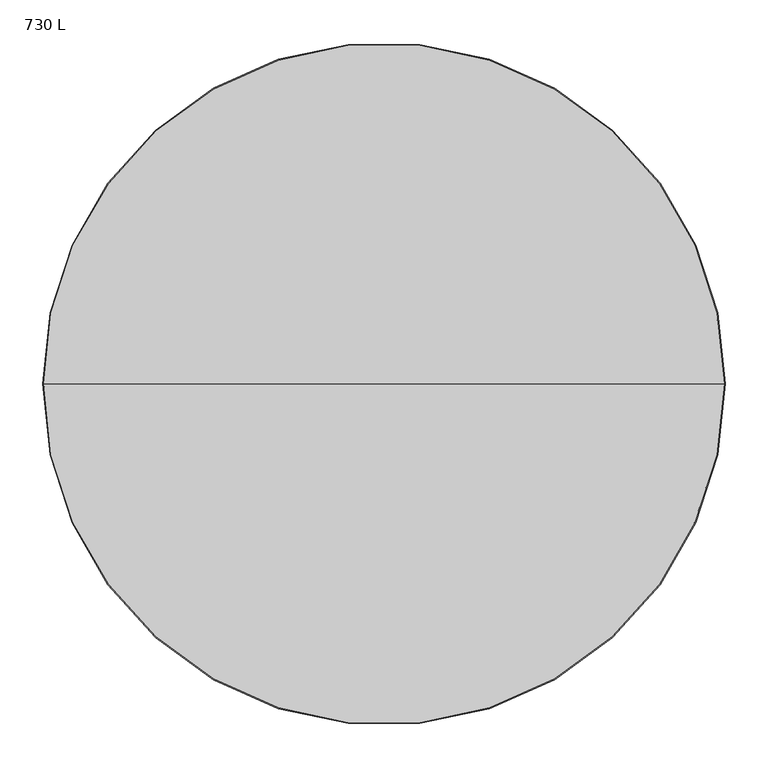
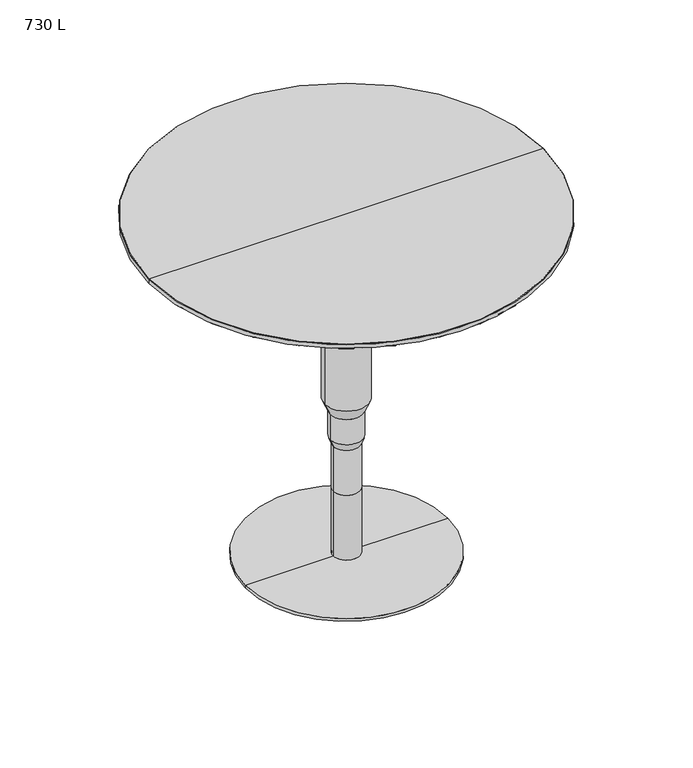
"""IFC4 building model written with IfcOpenShell, lengths in millimetres: furniture geometry, 730 L."""

from ifc_helpers import new_model, si_unit, frame, origin, place, context, project, spatial, polyline, circle_curve, source, transform, mapped, element, save
from ifc_brep_helpers import plane_surface, cylinder_surface, revolved_surface, advanced_brep


def furniture_730_l_e010f3ea(model_context):
    return source(origin(), model_context, "Body", "AdvancedBrep", [
        advanced_brep(
        [(26.9893151, 0.0, 615.9523172), (-26.9893151, 0.0, 615.9523172), (0.0, 0.0, 615.9523172), (26.9893151, 0.0, 577.4254696), (-26.9893151, 0.0, 577.4254696), (43.9805266, 0.0, 561.3992762), (-43.9805266, 0.0, 561.3992762), (43.9805266, 0.0, 337.4116836), (-43.9805266, 0.0, 337.4116836), (32.5037042, 0.0, 311.4251249), (-32.5037042, 0.0, 311.4251249), (32.5037042, 0.0, 257.4185766), (-32.5037042, 0.0, 257.4185766), (27.0172332, 0.0, 241.5078107), (-27.0172332, 0.0, 241.5078107), (27.0172332, 0.0, 145.4999867), (-27.0172332, 0.0, 145.4999867), (0.0, 0.0, 145.4999867)],
        [
            (0, 1, circle_curve(frame((0.0, 0.0, 615.9523172), z_axis=(0.0, 0.0, 1.0), x_axis=(-1.0, 0.0, 0.0)), 26.9893151)),
            (1, 2),
            (2, 0),
            (1, 0, circle_curve(frame((0.0, 0.0, 615.9523172), z_axis=(0.0, 0.0, 1.0), x_axis=(-1.0, 0.0, 0.0)), 26.9893151)),
            (3, 4, circle_curve(frame((0.0, 0.0, 577.4254696), z_axis=(0.0, 0.0, 1.0), x_axis=(-1.0, 0.0, 0.0)), 26.9893151)),
            (4, 1),
            (0, 3),
            (4, 3, circle_curve(frame((0.0, 0.0, 577.4254696), z_axis=(0.0, 0.0, 1.0), x_axis=(-1.0, 0.0, 0.0)), 26.9893151)),
            (5, 6, circle_curve(frame((0.0, 0.0, 561.3992762), z_axis=(0.0, 0.0, 1.0), x_axis=(-1.0, 0.0, 0.0)), 43.9805266)),
            (6, 4),
            (3, 5),
            (6, 5, circle_curve(frame((0.0, 0.0, 561.3992762), z_axis=(0.0, 0.0, 1.0), x_axis=(-1.0, 0.0, 0.0)), 43.9805266)),
            (7, 8, circle_curve(frame((0.0, 0.0, 337.4116836), z_axis=(0.0, 0.0, 1.0), x_axis=(-1.0, 0.0, 0.0)), 43.9805266)),
            (8, 6),
            (5, 7),
            (8, 7, circle_curve(frame((0.0, 0.0, 337.4116836), z_axis=(0.0, 0.0, 1.0), x_axis=(-1.0, 0.0, 0.0)), 43.9805266)),
            (9, 10, circle_curve(frame((0.0, 0.0, 311.4251249), z_axis=(0.0, 0.0, 1.0), x_axis=(-1.0, 0.0, 0.0)), 32.5037042)),
            (10, 8),
            (7, 9),
            (10, 9, circle_curve(frame((0.0, 0.0, 311.4251249), z_axis=(0.0, 0.0, 1.0), x_axis=(-1.0, 0.0, 0.0)), 32.5037042)),
            (11, 12, circle_curve(frame((0.0, 0.0, 257.4185766), z_axis=(0.0, 0.0, 1.0), x_axis=(-1.0, 0.0, 0.0)), 32.5037042)),
            (12, 10),
            (9, 11),
            (12, 11, circle_curve(frame((0.0, 0.0, 257.4185766), z_axis=(0.0, 0.0, 1.0), x_axis=(-1.0, 0.0, 0.0)), 32.5037042)),
            (13, 14, circle_curve(frame((0.0, 0.0, 241.5078107), z_axis=(0.0, 0.0, 1.0), x_axis=(-1.0, 0.0, 0.0)), 27.0172332)),
            (14, 12),
            (11, 13),
            (14, 13, circle_curve(frame((0.0, 0.0, 241.5078107), z_axis=(0.0, 0.0, 1.0), x_axis=(-1.0, 0.0, 0.0)), 27.0172332)),
            (15, 16, circle_curve(frame((0.0, 0.0, 145.4999867), z_axis=(0.0, 0.0, 1.0), x_axis=(-1.0, 0.0, 0.0)), 27.0172332)),
            (16, 14),
            (13, 15),
            (16, 15, circle_curve(frame((0.0, 0.0, 145.4999867), z_axis=(0.0, 0.0, 1.0), x_axis=(-1.0, 0.0, 0.0)), 27.0172332)),
            (17, 16),
            (15, 17),
        ],
        [
            plane_surface(frame((0.0, 0.0, 615.9523172), z_axis=(0.0, 0.0, 1.0), x_axis=(-1.0, 0.0, 0.0))),
            cylinder_surface(frame((0.0, 0.0, 615.4058246), z_axis=(0.0, 0.0, -1.0), x_axis=(-1.0, 0.0, 0.0)), 26.9893151),
            revolved_surface(polyline([(-26.9893151, 0.0, 577.4254696), (-43.9805266, 0.0, 561.3992762)]), (0.0, 0.0, 615.4058246), (0.0, 0.0, -1.0)),
            cylinder_surface(frame((0.0, 0.0, 615.4058246), z_axis=(0.0, 0.0, -1.0), x_axis=(-1.0, 0.0, 0.0)), 43.9805266),
            revolved_surface(polyline([(-43.9805266, 0.0, 337.4116836), (-32.5037042, 0.0, 311.4251249)]), (0.0, 0.0, 615.4058246), (0.0, 0.0, -1.0)),
            cylinder_surface(frame((0.0, 0.0, 615.4058246), z_axis=(0.0, 0.0, -1.0), x_axis=(-1.0, 0.0, 0.0)), 32.5037042),
            revolved_surface(polyline([(-32.5037042, 0.0, 257.4185766), (-27.0172332, 0.0, 241.5078107)]), (0.0, 0.0, 615.4058246), (0.0, 0.0, -1.0)),
            cylinder_surface(frame((0.0, 0.0, 615.4058246), z_axis=(0.0, 0.0, -1.0), x_axis=(-1.0, 0.0, 0.0)), 27.0172332),
            plane_surface(frame((0.0, 0.0, 145.4999867), z_axis=(0.0, 0.0, -1.0), x_axis=(-1.0, 0.0, 0.0))),
        ],
        [
            (0, [[1, 2, 3]]),
            (0, [[4, -3, -2]]),
            (1, [[5, 6, -1, 7]]),
            (1, [[8, -7, -4, -6]]),
            (2, [[9, 10, -5, 11]]),
            (2, [[12, -11, -8, -10]]),
            (3, [[13, 14, -9, 15]]),
            (3, [[16, -15, -12, -14]]),
            (4, [[17, 18, -13, 19]]),
            (4, [[20, -19, -16, -18]]),
            (5, [[21, 22, -17, 23]]),
            (5, [[24, -23, -20, -22]]),
            (6, [[25, 26, -21, 27]]),
            (6, [[28, -27, -24, -26]]),
            (7, [[29, 30, -25, 31]]),
            (7, [[32, -31, -28, -30]]),
            (8, [[33, -29, 34]]),
            (8, [[-34, -32, -33]]),
        ],
    ),
        advanced_brep(
        [(0.0, 0.0, 615.9523172), (-27.0000008, 0.0, 615.9523172), (27.0000008, 0.0, 615.9523172), (398.9795182, 0.0, 729.9523355), (-398.9795182, 0.0, 729.9523355), (0.0, 0.0, 729.9523355), (399.9794941, 0.0, 728.9523597), (-399.9794941, 0.0, 728.9523597), (399.9794941, 0.0, 720.9376251), (-399.9794941, 0.0, 720.9376251), (398.9942336, 0.0, 719.9523645), (-398.9942336, 0.0, 719.9523645), (125.000001, 0.0, 719.9523645), (-125.000001, 0.0, 719.9523645), (125.000001, 0.0, 715.9522453), (-125.000001, 0.0, 715.9522453), (27.0000008, 0.0, 715.9522453), (-27.0000008, 0.0, 715.9522453)],
        [
            (0, 1),
            (1, 2, circle_curve(frame((0.0, 0.0, 615.9523172), z_axis=(0.0, 0.0, -1.0), x_axis=(-1.0, 0.0, 0.0)), 27.0000008)),
            (2, 0),
            (2, 1, circle_curve(frame((0.0, 0.0, 615.9523172), z_axis=(0.0, 0.0, -1.0), x_axis=(-1.0, 0.0, 0.0)), 27.0000008)),
            (3, 4, circle_curve(frame((0.0, 0.0, 729.9523355), z_axis=(0.0, 0.0, 1.0), x_axis=(-1.0, 0.0, 0.0)), 398.9795182)),
            (4, 5),
            (5, 3),
            (4, 3, circle_curve(frame((0.0, 0.0, 729.9523355), z_axis=(0.0, 0.0, 1.0), x_axis=(-1.0, 0.0, 0.0)), 398.9795182)),
            (6, 7, circle_curve(frame((0.0, 0.0, 728.9523597), z_axis=(0.0, 0.0, 1.0), x_axis=(-1.0, 0.0, 0.0)), 399.9794941)),
            (7, 4),
            (3, 6),
            (7, 6, circle_curve(frame((0.0, 0.0, 728.9523597), z_axis=(0.0, 0.0, 1.0), x_axis=(-1.0, 0.0, 0.0)), 399.9794941)),
            (8, 9, circle_curve(frame((0.0, 0.0, 720.9376251), z_axis=(0.0, 0.0, 1.0), x_axis=(-1.0, 0.0, 0.0)), 399.9794941)),
            (9, 7),
            (6, 8),
            (9, 8, circle_curve(frame((0.0, 0.0, 720.9376251), z_axis=(0.0, 0.0, 1.0), x_axis=(-1.0, 0.0, 0.0)), 399.9794941)),
            (10, 11, circle_curve(frame((0.0, 0.0, 719.9523645), z_axis=(0.0, 0.0, 1.0), x_axis=(-1.0, 0.0, 0.0)), 398.9942336)),
            (11, 9),
            (8, 10),
            (11, 10, circle_curve(frame((0.0, 0.0, 719.9523645), z_axis=(0.0, 0.0, 1.0), x_axis=(-1.0, 0.0, 0.0)), 398.9942336)),
            (12, 13, circle_curve(frame((0.0, 0.0, 719.9523645), z_axis=(0.0, 0.0, 1.0), x_axis=(-1.0, 0.0, 0.0)), 125.000001)),
            (13, 11),
            (10, 12),
            (13, 12, circle_curve(frame((0.0, 0.0, 719.9523645), z_axis=(0.0, 0.0, 1.0), x_axis=(-1.0, 0.0, 0.0)), 125.000001)),
            (14, 15, circle_curve(frame((0.0, 0.0, 715.9522453), z_axis=(0.0, 0.0, 1.0), x_axis=(-1.0, 0.0, 0.0)), 125.000001)),
            (15, 13),
            (12, 14),
            (15, 14, circle_curve(frame((0.0, 0.0, 715.9522453), z_axis=(0.0, 0.0, 1.0), x_axis=(-1.0, 0.0, 0.0)), 125.000001)),
            (16, 17, circle_curve(frame((0.0, 0.0, 715.9522453), z_axis=(0.0, 0.0, 1.0), x_axis=(-1.0, 0.0, 0.0)), 27.0000008)),
            (17, 15),
            (14, 16),
            (17, 16, circle_curve(frame((0.0, 0.0, 715.9522453), z_axis=(0.0, 0.0, 1.0), x_axis=(-1.0, 0.0, 0.0)), 27.0000008)),
            (1, 17),
            (16, 2),
        ],
        [
            plane_surface(frame((0.0, 0.0, 615.9523172), z_axis=(0.0, 0.0, -1.0), x_axis=(-1.0, 0.0, 0.0))),
            plane_surface(frame((0.0, 0.0, 729.9523355), z_axis=(0.0, 0.0, 1.0), x_axis=(-1.0, 0.0, 0.0))),
            revolved_surface(polyline([(-398.9795182, 0.0, 729.9523355), (-399.9794941, 0.0, 728.9523597)]), (0.0, 0.0, 609.6023172), (0.0, 0.0, -1.0)),
            cylinder_surface(frame((0.0, 0.0, 609.6023172), z_axis=(0.0, 0.0, -1.0), x_axis=(-1.0, 0.0, 0.0)), 399.9794941),
            revolved_surface(polyline([(-399.9794941, 0.0, 720.9376251), (-398.9942336, 0.0, 719.9523645)]), (0.0, 0.0, 609.6023172), (0.0, 0.0, -1.0)),
            plane_surface(frame((0.0, 0.0, 719.9523645), z_axis=(0.0, 0.0, -1.0), x_axis=(-1.0, 0.0, 0.0))),
            cylinder_surface(frame((0.0, 0.0, 609.6023172), z_axis=(0.0, 0.0, -1.0), x_axis=(-1.0, 0.0, 0.0)), 125.000001),
            plane_surface(frame((0.0, 0.0, 715.9522453), z_axis=(0.0, 0.0, -1.0), x_axis=(-1.0, 0.0, 0.0))),
            cylinder_surface(frame((0.0, 0.0, 609.6023172), z_axis=(0.0, 0.0, -1.0), x_axis=(-1.0, 0.0, 0.0)), 27.0000008),
        ],
        [
            (0, [[1, 2, 3]]),
            (0, [[-3, 4, -1]]),
            (1, [[5, 6, 7]]),
            (1, [[8, -7, -6]]),
            (2, [[9, 10, -5, 11]]),
            (2, [[12, -11, -8, -10]]),
            (3, [[13, 14, -9, 15]]),
            (3, [[16, -15, -12, -14]]),
            (4, [[17, 18, -13, 19]]),
            (4, [[20, -19, -16, -18]]),
            (5, [[21, 22, -17, 23]]),
            (5, [[24, -23, -20, -22]]),
            (6, [[25, 26, -21, 27]]),
            (6, [[28, -27, -24, -26]]),
            (7, [[29, 30, -25, 31]]),
            (7, [[32, -31, -28, -30]]),
            (8, [[-2, 33, -29, 34]]),
            (8, [[-4, -34, -32, -33]]),
        ],
    ),
        advanced_brep(
        [(0.0, 0.0, 0.0), (-205.0000052, 0.0, 0.0), (205.0000052, 0.0, 0.0), (27.0000008, 0.0, 145.4999867), (-27.0000008, 0.0, 145.4999867), (0.0, 0.0, 145.4999867), (27.0000008, 0.0, 6.9129723), (-27.0000008, 0.0, 6.9129723), (26.0876426, 0.0, 6.9129723), (-26.0876426, 0.0, 6.9129723), (26.0876426, 0.0, 5.9999964), (-26.0876426, 0.0, 5.9999964), (205.0000052, 0.0, 5.9999964), (-205.0000052, 0.0, 5.9999964)],
        [
            (0, 1),
            (1, 2, circle_curve(frame((0.0, 0.0, 0.0), z_axis=(0.0, 0.0, -1.0), x_axis=(-1.0, 0.0, 0.0)), 205.0000052)),
            (2, 0),
            (2, 1, circle_curve(frame((0.0, 0.0, 0.0), z_axis=(0.0, 0.0, -1.0), x_axis=(-1.0, 0.0, 0.0)), 205.0000052)),
            (3, 4, circle_curve(frame((0.0, 0.0, 145.4999867), z_axis=(0.0, 0.0, 1.0), x_axis=(-1.0, 0.0, 0.0)), 27.0000008)),
            (4, 5),
            (5, 3),
            (4, 3, circle_curve(frame((0.0, 0.0, 145.4999867), z_axis=(0.0, 0.0, 1.0), x_axis=(-1.0, 0.0, 0.0)), 27.0000008)),
            (6, 7, circle_curve(frame((0.0, 0.0, 6.9129723), z_axis=(0.0, 0.0, 1.0), x_axis=(-1.0, 0.0, 0.0)), 27.0000008)),
            (7, 4),
            (3, 6),
            (7, 6, circle_curve(frame((0.0, 0.0, 6.9129723), z_axis=(0.0, 0.0, 1.0), x_axis=(-1.0, 0.0, 0.0)), 27.0000008)),
            (8, 9, circle_curve(frame((0.0, 0.0, 6.9129723), z_axis=(0.0, 0.0, 1.0), x_axis=(-1.0, 0.0, 0.0)), 26.0876426)),
            (9, 7),
            (6, 8),
            (9, 8, circle_curve(frame((0.0, 0.0, 6.9129723), z_axis=(0.0, 0.0, 1.0), x_axis=(-1.0, 0.0, 0.0)), 26.0876426)),
            (10, 11, circle_curve(frame((0.0, 0.0, 5.9999964), z_axis=(0.0, 0.0, 1.0), x_axis=(-1.0, 0.0, 0.0)), 26.0876426)),
            (11, 9),
            (8, 10),
            (11, 10, circle_curve(frame((0.0, 0.0, 5.9999964), z_axis=(0.0, 0.0, 1.0), x_axis=(-1.0, 0.0, 0.0)), 26.0876426)),
            (12, 13, circle_curve(frame((0.0, 0.0, 5.9999964), z_axis=(0.0, 0.0, 1.0), x_axis=(-1.0, 0.0, 0.0)), 205.0000052)),
            (13, 11),
            (10, 12),
            (13, 12, circle_curve(frame((0.0, 0.0, 5.9999964), z_axis=(0.0, 0.0, 1.0), x_axis=(-1.0, 0.0, 0.0)), 205.0000052)),
            (1, 13),
            (12, 2),
        ],
        [
            plane_surface(frame((0.0, 0.0, 0.0), z_axis=(0.0, 0.0, -1.0), x_axis=(-1.0, 0.0, 0.0))),
            plane_surface(frame((0.0, 0.0, 145.4999867), z_axis=(0.0, 0.0, 1.0), x_axis=(-1.0, 0.0, 0.0))),
            cylinder_surface(frame((0.0, 0.0, -19.05), z_axis=(0.0, 0.0, -1.0), x_axis=(-1.0, 0.0, 0.0)), 27.0000008),
            plane_surface(frame((0.0, 0.0, 6.9129723), z_axis=(0.0, 0.0, -1.0), x_axis=(-1.0, 0.0, 0.0))),
            cylinder_surface(frame((0.0, 0.0, -19.05), z_axis=(0.0, 0.0, -1.0), x_axis=(-1.0, 0.0, 0.0)), 26.0876426),
            plane_surface(frame((0.0, 0.0, 5.9999964), z_axis=(0.0, 0.0, 1.0), x_axis=(-1.0, 0.0, 0.0))),
            cylinder_surface(frame((0.0, 0.0, -19.05), z_axis=(0.0, 0.0, -1.0), x_axis=(-1.0, 0.0, 0.0)), 205.0000052),
        ],
        [
            (0, [[1, 2, 3]]),
            (0, [[-3, 4, -1]]),
            (1, [[5, 6, 7]]),
            (1, [[8, -7, -6]]),
            (2, [[9, 10, -5, 11]]),
            (2, [[12, -11, -8, -10]]),
            (3, [[13, 14, -9, 15]]),
            (3, [[16, -15, -12, -14]]),
            (4, [[17, 18, -13, 19]]),
            (4, [[20, -19, -16, -18]]),
            (5, [[21, 22, -17, 23]]),
            (5, [[24, -23, -20, -22]]),
            (6, [[-2, 25, -21, 26]]),
            (6, [[-4, -26, -24, -25]]),
        ],
    ),
    ])


if __name__ == "__main__":
    model = new_model("IFC4")
    model_context = context("Model", 3, world=origin())
    ifc_project = project(units=[si_unit("LENGTHUNIT", "METRE", prefix="MILLI")], contexts=[model_context])
    site = spatial("IfcSite", under=ifc_project)
    building = spatial("IfcBuilding", under=site)
    placement = place(None, origin())
    furniture_730_l_shape = furniture_730_l_e010f3ea(model_context)
    element("IfcFurniture", 1, ObjectType="730 L", at=placement, inside=building, context=model_context, shape_type="MappedRepresentation", body=[
        mapped(furniture_730_l_shape, transform((0.0, 0.0, 0.0), x_axis=(1.0, 0.0, 0.0), y_axis=(0.0, 1.0, 0.0), z_axis=(0.0, 0.0, 1.0))),
    ])
    save(model, "model.ifc")
